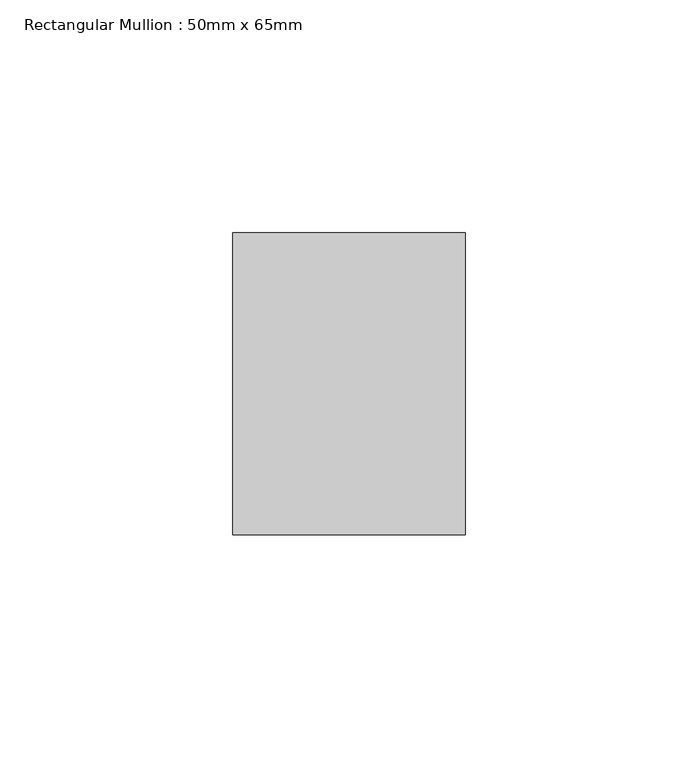
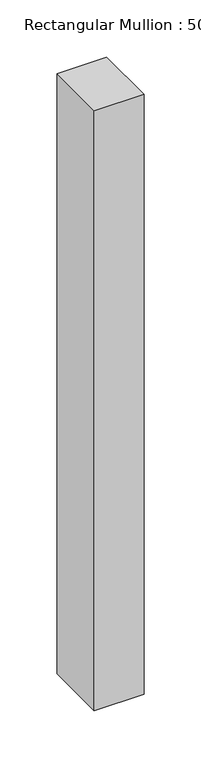
"""IFC4 building model written with IfcOpenShell, lengths in millimetres: member geometry, Rectangular Mullion : 50mm x 65mm."""

from ifc_helpers import new_model, si_unit, frame, origin, place, context, project, spatial, polyline, outline, extrude, source, transform, mapped, element, save


def rectangular_mullion_50mm_x_65mm_a94cbf96(model_context):
    return source(origin(), model_context, "Body", "SweptSolid", [
        extrude(outline(polyline([(25.0, 32.5), (25.0, -32.5), (-25.0, -32.5), (-25.0, 32.5), (25.0, 32.5)])), frame((0.0, 0.0, -639.7122544), z_axis=(0.0, 0.0, 1.0), x_axis=(1.0, 0.0, 0.0)), (0.0, 0.0, 1.0), 639.7122544),
    ])


if __name__ == "__main__":
    model = new_model("IFC4")
    model_context = context("Model", 3, world=origin())
    ifc_project = project(units=[si_unit("LENGTHUNIT", "METRE", prefix="MILLI")], contexts=[model_context])
    site = spatial("IfcSite", under=ifc_project)
    building = spatial("IfcBuilding", under=site)
    placement = place(None, origin())
    rectangular_mullion_50mm_x_65mm_shape = rectangular_mullion_50mm_x_65mm_a94cbf96(model_context)
    element("IfcMember", 1, ObjectType="Rectangular Mullion : 50mm x 65mm", at=placement, inside=building, context=model_context, shape_type="MappedRepresentation", body=[
        mapped(rectangular_mullion_50mm_x_65mm_shape, transform((0.0, 0.0, 0.0), x_axis=(1.0, 0.0, 0.0), y_axis=(0.0, 1.0, 0.0), z_axis=(0.0, 0.0, 1.0))),
    ])
    save(model, "model.ifc")
